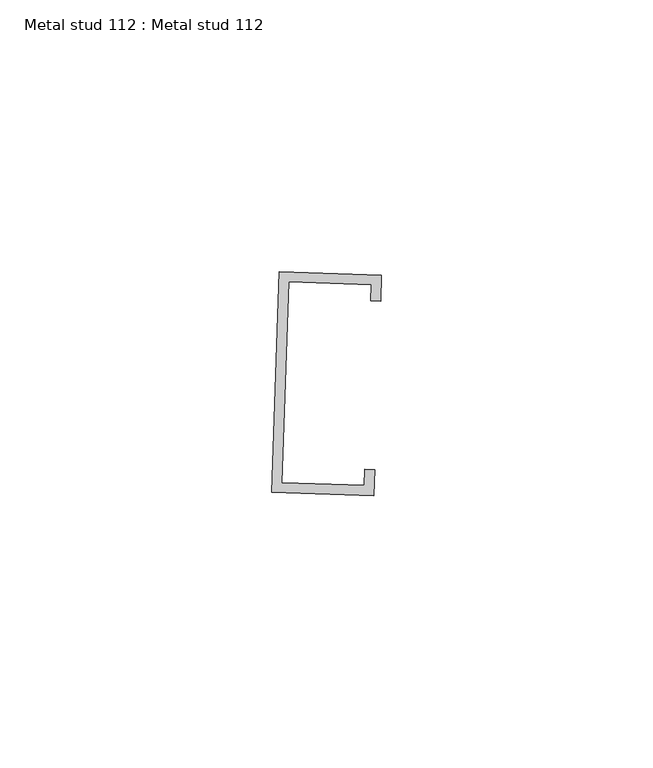
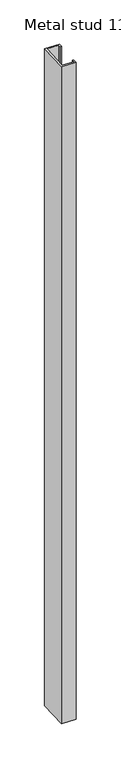
"""IFC4 building model written with IfcOpenShell, lengths in millimetres: proxy geometry, Metal stud 112 : Metal stud 112."""

import ifcopenshell
import ifcopenshell.guid

model = None  # the IFC model being written
_history = None  # IfcOwnerHistory: only IFC2X3 demands one
_inside = {}  # id of a spatial element -> (the spatial element, [elements in it])
_under = {}  # id of a project, library or spatial element -> (it, [spatial elements below it])
_declared = {}  # id of a project -> (the project, [libraries it declares])
_typed = {}  # id of a type object -> (the type object, [elements of that type])
_made_of = {}  # id of a material, layer set ... -> (it, [elements and type objects made of it])


def new_model(schema):
    """Start an empty IFC model of exactly this schema.

    Asked for "IFC4X3", IfcOpenShell would pick the latest addendum, in which some entities
    have other attributes; the version numbers below select the first issue.
    IFC2X3 requires an IfcOwnerHistory on every rooted entity: one is made here for all.
    """
    global model, _history
    if schema == "IFC4X3":
        model = ifcopenshell.file(schema_version=(4, 3, 0, 0))
    else:
        model = ifcopenshell.file(schema=schema)
    _inside.clear()
    _under.clear()
    _declared.clear()
    _typed.clear()
    _made_of.clear()
    _history = None
    if model.schema == "IFC2X3":
        org = make("IfcOrganization", Name="unknown")
        user = make(
            "IfcPersonAndOrganization",
            ThePerson=make("IfcPerson", FamilyName="unknown"),
            TheOrganization=org,
        )
        app = make(
            "IfcApplication",
            ApplicationDeveloper=org,
            Version="unknown",
            ApplicationFullName="unknown",
            ApplicationIdentifier="unknown",
        )
        _history = make(
            "IfcOwnerHistory",
            OwningUser=user,
            OwningApplication=app,
            ChangeAction="ADDED",
            CreationDate=0,
        )
    return model


def make(cls, **values):
    """One entity of the class cls with the attributes given. An attribute that is None is left unset."""
    return model.create_entity(
        cls, **{name: value for name, value in values.items() if value is not None}
    )


def rooted(cls, **values):
    """An entity with a GlobalId (a new one), such as an element, a storey or a relation."""
    return make(cls, GlobalId=ifcopenshell.guid.new(), OwnerHistory=_history, **values)


def si_unit(unit_type, name, prefix=None):
    """IfcSIUnit, for example si_unit("LENGTHUNIT", "METRE", prefix="MILLI")."""
    return make("IfcSIUnit", UnitType=unit_type, Prefix=prefix, Name=name)


def assignment(units):
    """IfcUnitAssignment: the units of a project."""
    return None if units is None else make("IfcUnitAssignment", Units=units)


def point(xyz):
    """IfcCartesianPoint."""
    return None if xyz is None else make("IfcCartesianPoint", Coordinates=xyz)


def direction(xyz):
    """IfcDirection."""
    return None if xyz is None else make("IfcDirection", DirectionRatios=xyz)


def frame(location, z_axis=None, x_axis=None):
    """IfcAxis2Placement3D, a coordinate frame: its origin and axes. An axis left out is left unset."""
    return make(
        "IfcAxis2Placement3D",
        Location=point(location),
        Axis=direction(z_axis),
        RefDirection=direction(x_axis),
    )


def origin():
    """The frame at (0, 0, 0) with its axes left unset."""
    return frame((0.0, 0.0, 0.0))


def place(relative_to, where):
    """IfcLocalPlacement: puts the frame where relative to a parent placement (None: the world)."""
    return make(
        "IfcLocalPlacement", PlacementRelTo=relative_to, RelativePlacement=where
    )


def context(
    kind, dimensions, precision=None, world=None, true_north=None, identifier=None
):
    """IfcGeometricRepresentationContext, for example the 3D "Model" context."""
    return make(
        "IfcGeometricRepresentationContext",
        ContextIdentifier=identifier,
        ContextType=kind,
        CoordinateSpaceDimension=dimensions,
        Precision=precision,
        WorldCoordinateSystem=world,
        TrueNorth=true_north,
    )


def project(units=None, contexts=None):
    """IfcProject with its units and contexts."""
    return rooted(
        "IfcProject",
        Name="project",
        RepresentationContexts=contexts,
        UnitsInContext=assignment(units),
    )


def spatial(cls, under=None, at=None, **own):
    """A site, building, storey or space (cls), placed at a placement, below another one or the project."""
    s = rooted(cls, ObjectPlacement=at, **own)
    if under is not None:
        _under.setdefault(under.id(), (under, []))[1].append(s)
    return s


def polyline(points):
    """IfcPolyline through the points."""
    return make("IfcPolyline", Points=[point(p) for p in points])


def outline(outer, holes=None, kind="AREA"):
    """IfcArbitraryClosedProfileDef: a profile drawn as a closed curve; with holes, ...WithVoids."""
    if holes is None:
        return make("IfcArbitraryClosedProfileDef", ProfileType=kind, OuterCurve=outer)
    return make(
        "IfcArbitraryProfileDefWithVoids",
        ProfileType=kind,
        OuterCurve=outer,
        InnerCurves=holes,
    )


def extrude(swept, where, along, depth):
    """IfcExtrudedAreaSolid: the profile swept, set in the frame where, extruded along a direction by depth."""
    return make(
        "IfcExtrudedAreaSolid",
        SweptArea=swept,
        Position=where,
        ExtrudedDirection=direction(along),
        Depth=depth,
    )


def shape(context_of_items, identifier, shape_type, items):
    """IfcShapeRepresentation: the items that make up one representation, for example the "Body"."""
    return make(
        "IfcShapeRepresentation",
        ContextOfItems=context_of_items,
        RepresentationIdentifier=identifier,
        RepresentationType=shape_type,
        Items=items,
    )


def source(mapping_origin, context_of_items, identifier, shape_type, items):
    """IfcRepresentationMap: a shape defined once, which mapped items show again and again."""
    return make(
        "IfcRepresentationMap",
        MappingOrigin=mapping_origin,
        MappedRepresentation=shape(context_of_items, identifier, shape_type, items),
    )


def transform(
    local_origin,
    x_axis=None,
    y_axis=None,
    z_axis=None,
    scale=None,
    scale2=None,
    scale3=None,
    uniform=True,
):
    """IfcCartesianTransformationOperator3D, or its non-uniform kind. x_axis, y_axis, z_axis: its Axis1, 2, 3."""
    if uniform:
        return make(
            "IfcCartesianTransformationOperator3D",
            Axis1=direction(x_axis),
            Axis2=direction(y_axis),
            LocalOrigin=point(local_origin),
            Scale=scale,
            Axis3=direction(z_axis),
        )
    return make(
        "IfcCartesianTransformationOperator3DnonUniform",
        Axis1=direction(x_axis),
        Axis2=direction(y_axis),
        LocalOrigin=point(local_origin),
        Scale=scale,
        Axis3=direction(z_axis),
        Scale2=scale2,
        Scale3=scale3,
    )


def mapped(mapping_source, mapping_target):
    """IfcMappedItem: shows the shape of a source again, moved by a transform."""
    return make(
        "IfcMappedItem", MappingSource=mapping_source, MappingTarget=mapping_target
    )


def made_of(thing, what):
    """Note that an element or type object is made of a material, layer set ...; save() writes the relation."""
    if what is not None:
        _made_of.setdefault(what.id(), (what, []))[1].append(thing)
    return thing


def element(
    cls,
    number,
    at=None,
    inside=None,
    cuts=None,
    type_object=None,
    material=None,
    context=None,
    identifier="Body",
    shape_type=None,
    held_by="IfcProductDefinitionShape",
    body=None,
    shapes=None,
    **own,
):
    """One element of the class cls, such as IfcWall. Its Tag is "e" and its number.

    at: its placement. inside: the storey or other place that contains it. cuts: it is an
    opening in that element (IfcRelVoidsElement). A single representation is given by context,
    identifier, shape_type and body (its items); several are given by shapes. held_by: the class
    of the entity that holds the representations. save() writes the other relations.
    """
    e = rooted(cls, Tag="e%d" % number, ObjectPlacement=at, **own)
    if body is not None:
        shapes = [shape(context, identifier, shape_type, body)]
    if shapes is not None:
        e.Representation = make(held_by, Representations=shapes)
    if inside is not None:
        _inside.setdefault(inside.id(), (inside, []))[1].append(e)
    if cuts is not None:
        rooted(
            "IfcRelVoidsElement", RelatingBuildingElement=cuts, RelatedOpeningElement=e
        )
    if type_object is not None:
        _typed.setdefault(type_object.id(), (type_object, []))[1].append(e)
    return made_of(e, material)


def aggregate(whole, parts):
    """IfcRelAggregates: a whole, such as a stair, and the parts it consists of."""
    return rooted("IfcRelAggregates", RelatingObject=whole, RelatedObjects=parts)


def save(model, path):
    """Write the relations noted so far, then the file.

    IfcRelAggregates (storeys below a building ...), IfcRelContainedInSpatialStructure (elements
    in a storey), IfcRelDefinesByType, IfcRelAssociatesMaterial and IfcRelDeclares: one each for
    every whole, place, type object, material and project.
    """
    for whole, parts in _under.values():
        aggregate(whole, parts)
    for where, things in _inside.values():
        rooted(
            "IfcRelContainedInSpatialStructure",
            RelatedElements=things,
            RelatingStructure=where,
        )
    for kind, things in _typed.values():
        rooted("IfcRelDefinesByType", RelatedObjects=things, RelatingType=kind)
    for what, things in _made_of.values():
        rooted("IfcRelAssociatesMaterial", RelatedObjects=things, RelatingMaterial=what)
    for by, libraries in _declared.values():
        rooted("IfcRelDeclares", RelatingContext=by, RelatedDefinitions=libraries)
    model.write(path)


def metal_stud_112_metal_stud_112_dcfb6a3b(model_context):
    return source(origin(), model_context, "Body", "SweptSolid", [
        extrude(outline(polyline([(32643.6528233, -15705.3632024), (32662.4894528, -15706.0078258), (32662.3253243, -15710.8038463), (32660.5041247, -15710.7415216), (32660.6059284, -15707.7667005), (32645.4116981, -15707.2467266), (32644.1470337, -15744.2016559), (32659.3412641, -15744.7216298), (32659.4430679, -15741.7468088), (32661.2642674, -15741.8091335), (32661.100139, -15746.605154), (32642.2635095, -15745.9605306), (32643.6528233, -15705.3632024)])), frame((0.0, 0.0, 1597.975708), z_axis=(0.0, 0.0, 1.0), x_axis=(1.0, 0.0, 0.0)), (0.0, 0.0, 1.0), 914.4),
    ])


if __name__ == "__main__":
    model = new_model("IFC4")
    model_context = context("Model", 3, world=origin())
    ifc_project = project(units=[si_unit("LENGTHUNIT", "METRE", prefix="MILLI")], contexts=[model_context])
    site = spatial("IfcSite", under=ifc_project)
    building = spatial("IfcBuilding", under=site)
    placement = place(None, origin())
    metal_stud_112_metal_stud_112_shape = metal_stud_112_metal_stud_112_dcfb6a3b(model_context)
    element("IfcBuildingElementProxy", 1, Name="Metal stud 112 : Metal stud 112", ObjectType="Metal stud 112 : Metal stud 112", at=placement, inside=building, context=model_context, shape_type="MappedRepresentation", body=[
        mapped(metal_stud_112_metal_stud_112_shape, transform((0.0, 0.0, 0.0), x_axis=(1.0, 0.0, 0.0), y_axis=(0.0, 1.0, 0.0), z_axis=(0.0, 0.0, 1.0))),
    ])
    save(model, "model.ifc")
